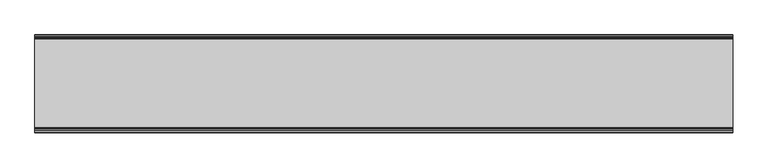
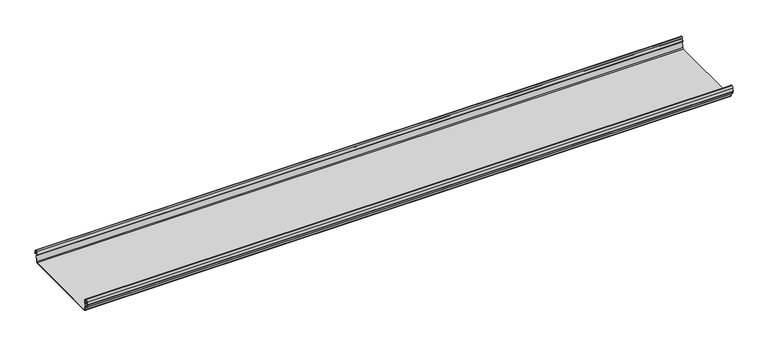
"""IFC4 building model written with IfcOpenShell, lengths in millimetres: beam geometry."""

from ifc_helpers import new_model, si_unit, frame, origin, place, context, project, spatial, polyline, circle_curve, source, transform, mapped, element, save
from ifc_brep_helpers import plane_surface, cylinder_surface, revolved_surface, advanced_brep


def beam_1a2c4ab1(model_context):
    return source(origin(), model_context, "Body", "AdvancedBrep", [
        advanced_brep(
        [(1265.1012987, 174.5298471, 17.4730576), (1265.1012987, 169.9958217, 21.2486363), (1265.1012987, 165.4890072, 17.6093124), (1265.1012987, 163.0420077, 6.2503755), (1265.1012987, 164.7006671, 3.7959761), (1265.1012987, 165.8698319, 2.0849359), (1265.1012987, 164.3793103, -21.3247551), (1265.1012987, 160.6848586, -24.7896475), (1265.1012987, -159.5640942, -24.7896475), (1265.1012987, -163.2568715, -21.3207217), (1265.1012987, -164.7263748, 2.1632779), (1265.1012987, -164.0984471, 3.0966958), (1265.1012987, -161.8868093, 6.1624874), (1265.1012987, -162.770348, 17.3389905), (1265.1012987, -170.0, 24.0196704), (1265.1012987, -177.229652, 17.3389905), (1265.1012987, -178.1131907, 6.1624874), (1265.1012987, -175.9015529, 3.0966958), (1265.1012987, -175.2736252, 2.1632779), (1265.1012987, -175.6653397, -4.0966758), (1265.1012987, -174.6633838, -4.0966758), (1265.1012987, -174.255975, 2.4140875), (1265.1012987, -175.661391, 4.0675496), (1265.1012987, -177.1158116, 6.08368), (1265.1012987, -176.2261211, 17.3379999), (1265.1012987, -170.0, 23.0196704), (1265.1012987, -163.767144, 17.2589936), (1265.1012987, -162.8795452, 6.0037927), (1265.1012987, -164.338609, 4.0675496), (1265.1012987, -165.744025, 2.4140875), (1265.1012987, -164.2549195, -21.3831743), (1265.1012987, -159.5640942, -25.7896475), (1265.1012987, 160.6846135, -25.7896475), (1265.1012987, 165.3772895, -21.3882975), (1265.1012987, 166.868024, 2.0247376), (1265.1012987, 164.9644432, 4.7613501), (1265.1012987, 164.0277999, 6.0779003), (1265.1012987, 166.4434849, 17.2822335), (1265.1012987, 170.0063307, 20.2496221), (1265.1012987, 173.4803249, 17.6539317), (1265.1012987, 175.5075757, 6.5459412), (1265.1012987, 176.5074356, 6.7299959), (-1265.1012987, 174.5298471, 17.4730576), (-1265.1012987, 176.5074356, 6.7299959), (-1265.1012987, 175.5075757, 6.5459412), (-1265.1012987, 173.4803249, 17.6539317), (-1265.1012987, 170.0063307, 20.2496221), (-1265.1012987, 166.4434849, 17.2822335), (-1265.1012987, 164.0277999, 6.0779003), (-1265.1012987, 164.9644432, 4.7613501), (-1265.1012987, 166.868024, 2.0247376), (-1265.1012987, 165.3772895, -21.3882975), (-1265.1012987, 160.6846135, -25.7896475), (-1265.1012987, -159.5640942, -25.7896475), (-1265.1012987, -164.2549195, -21.3831743), (-1265.1012987, -165.744025, 2.4140875), (-1265.1012987, -164.338609, 4.0675496), (-1265.1012987, -162.8795452, 6.0037927), (-1265.1012987, -163.767144, 17.2589936), (-1265.1012987, -170.0, 23.0196704), (-1265.1012987, -176.2261211, 17.3379999), (-1265.1012987, -177.1158116, 6.08368), (-1265.1012987, -175.661391, 4.0675496), (-1265.1012987, -174.255975, 2.4140875), (-1265.1012987, -174.6633838, -4.0966758), (-1265.1012987, -175.6653397, -4.0966758), (-1265.1012987, -175.2736252, 2.1632779), (-1265.1012987, -175.9015529, 3.0966958), (-1265.1012987, -178.1066021, 6.2458324), (-1265.1012987, -177.229652, 17.3389905), (-1265.1012987, -170.0, 24.0196704), (-1265.1012987, -162.770348, 17.3389905), (-1265.1012987, -161.8868093, 6.1624874), (-1265.1012987, -164.0984471, 3.0966958), (-1265.1012987, -164.7263748, 2.1632779), (-1265.1012987, -163.2568715, -21.3207217), (-1265.1012987, -159.5640942, -24.7896475), (-1265.1012987, 160.6848586, -24.7896475), (-1265.1012987, 164.3793103, -21.3247551), (-1265.1012987, 165.8698319, 2.0849359), (-1265.1012987, 164.7006671, 3.7959761), (-1265.1012987, 163.0420077, 6.2503755), (-1265.1012987, 165.4890072, 17.6093124), (-1265.1012987, 169.9958217, 21.2486363)],
        [
            (0, 1, circle_curve(frame((1265.1012987, 169.9958217, 16.6384317), z_axis=(1.0, 0.0, 0.0), x_axis=(0.0, 1.0, 0.0)), 4.6102046)),
            (1, 2, circle_curve(frame((1265.1012987, 169.9958217, 16.6384317), z_axis=(1.0, 0.0, 0.0), x_axis=(0.0, 0.2105938444020083, 0.9775736456656259)), 4.6102046)),
            (2, 3),
            (3, 4, circle_curve(frame((1265.1012987, 165.4262002, 6.073937), z_axis=(1.0, 0.0, 0.0), x_axis=(0.0, -0.9528378408797884, 0.30347989881958104)), 2.3907121)),
            (4, 5, circle_curve(frame((1265.1012987, 164.1897695, 2.1919074), z_axis=(-1.0, 0.0, 0.0), x_axis=(0.0, 0.06354246328302078, 0.9979791357337717)), 1.6834645)),
            (5, 6),
            (6, 7, circle_curve(frame((1265.1012987, 160.6867875, -21.089648), z_axis=(-1.0, 0.0, 0.0), x_axis=(0.0, 0.9999998641088232, -0.0005213274739325337)), 3.7)),
            (7, 8),
            (8, 9, circle_curve(frame((1265.1012987, -159.5640942, -21.0896475), z_axis=(-1.0, 0.0, 0.0), x_axis=(0.0, 0.062452508687223206, -0.9980479368039755)), 3.7)),
            (9, 10),
            (10, 11, circle_curve(frame((1265.1012987, -163.8044049, 2.2209698), z_axis=(-1.0, 0.0, 0.0), x_axis=(0.0, -0.9479881328261025, -0.31830567073314897)), 0.9237732)),
            (11, 12, circle_curve(frame((1265.1012987, -164.7984694, 5.9323112), z_axis=(1.0, 0.0, 0.0), x_axis=(0.0, 0.07880737243916666, -0.9968898625471294)), 2.9207441)),
            (12, 13),
            (13, 14, circle_curve(frame((1265.1012987, -170.0, 16.7674631), z_axis=(1.0, 0.0, 0.0), x_axis=(0.0, 1.0, 0.0)), 7.2522073)),
            (14, 15, circle_curve(frame((1265.1012987, -170.0, 16.7674631), z_axis=(1.0, 0.0, 0.0), x_axis=(0.0, 0.07880737243912425, 0.9968898625471327)), 7.2522073)),
            (15, 16),
            (16, 17, circle_curve(frame((1265.1012987, -175.2001089, 5.9344165), z_axis=(1.0, 0.0, 0.0), x_axis=(0.0, -0.9707819351134729, 0.2399634023290655)), 2.9231288)),
            (17, 18, circle_curve(frame((1265.1012987, -176.1025472, 2.2835649), z_axis=(-1.0, 0.0, 0.0), x_axis=(0.0, 0.14360843272178178, 0.9896345881441257)), 0.8376041)),
            (18, 19),
            (19, 20, circle_curve(frame((1265.1012987, -175.1643617, -4.0966758), z_axis=(1.0, 0.0, 0.0), x_axis=(0.0, 0.0, -1.0)), 0.5009779)),
            (20, 21),
            (21, 22, circle_curve(frame((1265.1012987, -176.1062911, 2.2653702), z_axis=(1.0, 0.0, 0.0), x_axis=(0.0, 0.9708537722163966, -0.23967259537375799)), 1.856283)),
            (22, 23, circle_curve(frame((1265.1012987, -175.2010412, 5.9323112), z_axis=(-1.0, 0.0, 0.0), x_axis=(0.0, -0.07880737243914376, -0.9968898625471312)), 1.9207441)),
            (23, 24),
            (24, 25, circle_curve(frame((1265.1012987, -170.0770494, 16.8518958), z_axis=(-1.0, 0.0, 0.0), x_axis=(0.0, -0.9999219808421378, 0.012491286112139365)), 6.1682558)),
            (25, 26, circle_curve(frame((1265.1012987, -170.0791743, 16.6817991), z_axis=(-1.0, 0.0, 0.0), x_axis=(0.0, -0.09106361391821856, 0.9958450774192508)), 6.3383658)),
            (26, 27),
            (27, 28, circle_curve(frame((1265.1012987, -164.70299, 5.8599936), z_axis=(-1.0, 0.0, 0.0), x_axis=(0.0, 0.9799562955839813, 0.19921259685401593)), 1.8291061)),
            (28, 29, circle_curve(frame((1265.1012987, -163.9886548, 2.3460727), z_axis=(1.0, 0.0, 0.0), x_axis=(0.0, 0.03871763325448635, 0.9992501913310655)), 1.7566874)),
            (29, 30),
            (30, 31, circle_curve(frame((1265.1012987, -159.5640942, -21.0896475), z_axis=(1.0, 0.0, 0.0), x_axis=(0.0, -1.0, 0.0)), 4.7)),
            (31, 32),
            (32, 33, circle_curve(frame((1265.1012987, 160.6846135, -21.0873301), z_axis=(1.0, 0.0, 0.0), x_axis=(0.0, -0.06400407594283139, -0.997949637137418)), 4.7023174)),
            (33, 34),
            (34, 35, circle_curve(frame((1265.1012987, 164.1939121, 2.1950013), z_axis=(1.0, 0.0, 0.0), x_axis=(0.0, 0.9577619201002135, -0.2875623487279797)), 2.6795268)),
            (35, 36, circle_curve(frame((1265.1012987, 165.0972859, 5.8473161), z_axis=(-1.0, 0.0, 0.0), x_axis=(0.0, -0.210759855052358, -0.9775378680635902)), 1.094061)),
            (36, 37),
            (37, 38, circle_curve(frame((1265.1012987, 170.0063307, 16.627032), z_axis=(-1.0, 0.0, 0.0), x_axis=(0.0, -1.0, 0.0)), 3.6225901)),
            (38, 39, circle_curve(frame((1265.1012987, 170.0063307, 16.627032), z_axis=(-1.0, 0.0, 0.0), x_axis=(0.0, -0.2834711363957483, 0.9589807687490417)), 3.6225901)),
            (39, 40),
            (40, 41, circle_curve(frame((1265.1012987, 176.0075057, 6.6379685), z_axis=(1.0, 0.0, 0.0), x_axis=(0.0, 0.18103878268247353, -0.9834759575937014)), 0.5083296)),
            (41, 0),
            (42, 43),
            (43, 44, circle_curve(frame((-1265.1012987, 176.0075057, 6.6379685), z_axis=(-1.0, 0.0, 0.0), x_axis=(0.0, 0.18103878268247353, -0.9834759575937014)), 0.5083296)),
            (44, 45),
            (45, 46, circle_curve(frame((-1265.1012987, 170.0063307, 16.627032), z_axis=(1.0, 0.0, 0.0), x_axis=(0.0, -0.2834711363957483, 0.9589807687490417)), 3.6225901)),
            (46, 47, circle_curve(frame((-1265.1012987, 170.0063307, 16.627032), z_axis=(1.0, 0.0, 0.0), x_axis=(0.0, -1.0, 0.0)), 3.6225901)),
            (47, 48),
            (48, 49, circle_curve(frame((-1265.1012987, 165.0972859, 5.8473161), z_axis=(1.0, 0.0, 0.0), x_axis=(0.0, -0.210759855052358, -0.9775378680635902)), 1.094061)),
            (49, 50, circle_curve(frame((-1265.1012987, 164.1939121, 2.1950013), z_axis=(-1.0, 0.0, 0.0), x_axis=(0.0, 0.9577619201002135, -0.2875623487279797)), 2.6795268)),
            (50, 51),
            (51, 52, circle_curve(frame((-1265.1012987, 160.6846135, -21.0873301), z_axis=(-1.0, 0.0, 0.0), x_axis=(0.0, -0.06400407594283139, -0.997949637137418)), 4.7023174)),
            (52, 53),
            (53, 54, circle_curve(frame((-1265.1012987, -159.5640942, -21.0896475), z_axis=(-1.0, 0.0, 0.0), x_axis=(0.0, -1.0, 0.0)), 4.7)),
            (54, 55),
            (55, 56, circle_curve(frame((-1265.1012987, -163.9886548, 2.3460727), z_axis=(-1.0, 0.0, 0.0), x_axis=(0.0, 0.03871763325448635, 0.9992501913310655)), 1.7566874)),
            (56, 57, circle_curve(frame((-1265.1012987, -164.70299, 5.8599936), z_axis=(1.0, 0.0, 0.0), x_axis=(0.0, 0.9799562955839813, 0.19921259685401593)), 1.8291061)),
            (57, 58),
            (58, 59, circle_curve(frame((-1265.1012987, -170.0791743, 16.6817991), z_axis=(1.0, 0.0, 0.0), x_axis=(0.0, -0.09106361391821856, 0.9958450774192508)), 6.3383658)),
            (59, 60, circle_curve(frame((-1265.1012987, -170.0770494, 16.8518958), z_axis=(1.0, 0.0, 0.0), x_axis=(0.0, -0.9999219808421378, 0.012491286112139365)), 6.1682558)),
            (60, 61),
            (61, 62, circle_curve(frame((-1265.1012987, -175.2010412, 5.9323112), z_axis=(1.0, 0.0, 0.0), x_axis=(0.0, -0.07880737243914376, -0.9968898625471312)), 1.9207441)),
            (62, 63, circle_curve(frame((-1265.1012987, -176.1062911, 2.2653702), z_axis=(-1.0, 0.0, 0.0), x_axis=(0.0, 0.9708537722163966, -0.23967259537375799)), 1.856283)),
            (63, 64),
            (64, 65, circle_curve(frame((-1265.1012987, -175.1643617, -4.0966758), z_axis=(-1.0, 0.0, 0.0), x_axis=(0.0, 0.0, -1.0)), 0.5009779)),
            (65, 66),
            (66, 67, circle_curve(frame((-1265.1012987, -176.1025472, 2.2835649), z_axis=(1.0, 0.0, 0.0), x_axis=(0.0, 0.14360843272178178, 0.9896345881441257)), 0.8376041)),
            (67, 68, circle_curve(frame((-1265.1012987, -175.2001089, 5.9344165), z_axis=(-1.0, 0.0, 0.0), x_axis=(0.0, -0.9707819351134729, 0.2399634023290655)), 2.9231288)),
            (68, 69),
            (69, 70, circle_curve(frame((-1265.1012987, -170.0, 16.7674631), z_axis=(-1.0, 0.0, 0.0), x_axis=(0.0, 0.07880737243912425, 0.9968898625471327)), 7.2522073)),
            (70, 71, circle_curve(frame((-1265.1012987, -170.0, 16.7674631), z_axis=(-1.0, 0.0, 0.0), x_axis=(0.0, 1.0, 0.0)), 7.2522073)),
            (71, 72),
            (72, 73, circle_curve(frame((-1265.1012987, -164.7984694, 5.9323112), z_axis=(-1.0, 0.0, 0.0), x_axis=(0.0, 0.07880737243916666, -0.9968898625471294)), 2.9207441)),
            (73, 74, circle_curve(frame((-1265.1012987, -163.8044049, 2.2209698), z_axis=(1.0, 0.0, 0.0), x_axis=(0.0, -0.9479881328261025, -0.31830567073314897)), 0.9237732)),
            (74, 75),
            (75, 76, circle_curve(frame((-1265.1012987, -159.5640942, -21.0896475), z_axis=(1.0, 0.0, 0.0), x_axis=(0.0, 0.062452508687223206, -0.9980479368039755)), 3.7)),
            (76, 77),
            (77, 78, circle_curve(frame((-1265.1012987, 160.6867875, -21.089648), z_axis=(1.0, 0.0, 0.0), x_axis=(0.0, 0.9999998641088232, -0.0005213274739325337)), 3.7)),
            (78, 79),
            (79, 80, circle_curve(frame((-1265.1012987, 164.1897695, 2.1919074), z_axis=(1.0, 0.0, 0.0), x_axis=(0.0, 0.06354246328302078, 0.9979791357337717)), 1.6834645)),
            (80, 81, circle_curve(frame((-1265.1012987, 165.4262002, 6.073937), z_axis=(-1.0, 0.0, 0.0), x_axis=(0.0, -0.9528378408797884, 0.30347989881958104)), 2.3907121)),
            (81, 82),
            (82, 83, circle_curve(frame((-1265.1012987, 169.9958217, 16.6384317), z_axis=(-1.0, 0.0, 0.0), x_axis=(0.0, 0.2105938444020083, 0.9775736456656259)), 4.6102046)),
            (83, 42, circle_curve(frame((-1265.1012987, 169.9958217, 16.6384317), z_axis=(-1.0, 0.0, 0.0), x_axis=(0.0, 1.0, 0.0)), 4.6102046)),
            (42, 0),
            (41, 43),
            (40, 44),
            (39, 45),
            (38, 46),
            (37, 47),
            (36, 48),
            (35, 49),
            (34, 50),
            (33, 51),
            (32, 52),
            (31, 53),
            (30, 54),
            (29, 55),
            (28, 56),
            (27, 57),
            (26, 58),
            (25, 59),
            (24, 60),
            (23, 61),
            (22, 62),
            (21, 63),
            (20, 64),
            (19, 65),
            (18, 66),
            (17, 67),
            (16, 68),
            (15, 69),
            (14, 70),
            (13, 71),
            (12, 72),
            (11, 73),
            (10, 74),
            (9, 75),
            (8, 76),
            (7, 77),
            (6, 78),
            (5, 79),
            (4, 80),
            (3, 81),
            (2, 82),
            (1, 83),
        ],
        [
            plane_surface(frame((1265.1012987, 176.5074356, 6.7299959), z_axis=(1.0000000000000002, 0.0, 0.0), x_axis=(0.0, -0.18103878268248824, 0.9834759575936989))),
            plane_surface(frame((-1265.1012987, 176.5074356, 6.7299959), z_axis=(-1.0000000000000002, 0.0, 0.0), x_axis=(0.0, 0.18103878268248824, -0.9834759575936989))),
            plane_surface(frame((1265.1012987, 175.5186413, 12.1015267), z_axis=(0.0, 0.9834759575937931, 0.18103878268197598), x_axis=(0.0, 0.18103878268197598, -0.9834759575937931))),
            cylinder_surface(frame((1265.1012987, 176.0075057, 6.6379685), z_axis=(-1.0, 0.0, 0.0), x_axis=(0.0, 0.18103878268247353, -0.9834759575937014)), 0.5083296),
            plane_surface(frame((1265.1012987, 174.4939503, 12.0999365), z_axis=(0.0, -0.9837509798366516, -0.17953832368168063), x_axis=(0.0, -0.17953832368168063, 0.9837509798366516))),
            revolved_surface(polyline([(-1265.1012987, 168.979430967657, 20.101026238960667), (1265.1012987, 168.979430967657, 20.101026238960667)]), (1265.1012987, 170.0063307, 16.627032), (-1.0, 0.0, 0.0)),
            revolved_surface(polyline([(-1265.1012987, 166.3837406, 16.627032), (1265.1012987, 166.3837406, 16.627032)]), (1265.1012987, 170.0063307, 16.627032), (-1.0, 0.0, 0.0)),
            plane_surface(frame((1265.1012987, 165.2356424, 11.6800669), z_axis=(0.0, 0.9775378680634891, -0.2107598550528272), x_axis=(0.0, -0.2107598550528272, -0.9775378680634891))),
            revolved_surface(polyline([(-1265.1012987, 164.86670176222157, 4.77783004252848), (1265.1012987, 164.86670176222157, 4.77783004252848)]), (1265.1012987, 165.0972859, 5.8473161), (-1.0, 0.0, 0.0)),
            cylinder_surface(frame((1265.1012987, 164.1939121, 2.1950013), z_axis=(-1.0, 0.0, 0.0), x_axis=(0.0, 0.9577619201002135, -0.2875623487279797)), 2.6795268),
            plane_surface(frame((1265.1012987, 166.1226567, -9.68178), z_axis=(0.0, 0.9979791357337514, -0.06354246328334037), x_axis=(0.0, -0.06354246328334037, -0.9979791357337514))),
            cylinder_surface(frame((1265.1012987, 160.6846135, -21.0873301), z_axis=(-1.0, 0.0, 0.0), x_axis=(0.0, -0.06400407594283139, -0.997949637137418)), 4.7023174),
            plane_surface(frame((1265.1012987, 0.5602597, -25.7896475), z_axis=(0.0, 0.0, -1.0), x_axis=(0.0, -1.0, 0.0))),
            cylinder_surface(frame((1265.1012987, -159.5640942, -21.0896475), z_axis=(-1.0, 0.0, 0.0), x_axis=(0.0, -1.0, 0.0)), 4.7),
            plane_surface(frame((1265.1012987, -164.9994722, -9.4845434), z_axis=(0.0, -0.99804793680396, -0.06245250868747398), x_axis=(0.0, -0.06245250868747398, 0.99804793680396))),
            cylinder_surface(frame((1265.1012987, -163.9886548, 2.3460727), z_axis=(-1.0, 0.0, 0.0), x_axis=(0.0, 0.03871763325448635, 0.9992501913310655)), 1.7566874),
            revolved_surface(polyline([(-1265.1012987, -162.91054596201394, 6.224374576102521), (1265.1012987, -162.91054596201394, 6.224374576102521)]), (1265.1012987, -164.70299, 5.8599936), (-1.0, 0.0, 0.0)),
            plane_surface(frame((1265.1012987, -163.3233446, 11.6313931), z_axis=(0.0, -0.9969048840807634, -0.07861712342689589), x_axis=(0.0, -0.07861712342689589, 0.9969048840807634))),
            revolved_surface(polyline([(-1265.1012987, -170.65636879608365, 22.99382948081253), (1265.1012987, -170.65636879608365, 22.99382948081253)]), (1265.1012987, -170.0791743, 16.6817991), (-1.0, 0.0, 0.0)),
            revolved_surface(polyline([(-1265.1012987, -176.244823957877, 16.928945248010663), (1265.1012987, -176.244823957877, 16.928945248010663)]), (1265.1012987, -170.0770494, 16.8518958), (-1.0, 0.0, 0.0)),
            plane_surface(frame((1265.1012987, -176.6709664, 11.71084), z_axis=(0.0, 0.9968898625470921, -0.07880737243963815), x_axis=(0.0, -0.07880737243963815, -0.9968898625470921))),
            revolved_surface(polyline([(-1265.1012987, -175.35240999564897, 4.017540878162787), (1265.1012987, -175.35240999564897, 4.017540878162787)]), (1265.1012987, -175.2010412, 5.9323112), (-1.0, 0.0, 0.0)),
            cylinder_surface(frame((1265.1012987, -176.1062911, 2.2653702), z_axis=(-1.0, 0.0, 0.0), x_axis=(0.0, 0.9708537722163966, -0.23967259537375799)), 1.856283),
            plane_surface(frame((1265.1012987, -174.4596794, -0.8412941), z_axis=(0.0, 0.9980479368039222, -0.06245250868807452), x_axis=(0.0, -0.06245250868807452, -0.9980479368039222))),
            cylinder_surface(frame((1265.1012987, -175.1643617, -4.0966758), z_axis=(-1.0, 0.0, 0.0), x_axis=(0.0, 0.0, -1.0)), 0.5009779),
            plane_surface(frame((1265.1012987, -175.4694824, -0.9666989), z_axis=(0.0, -0.9980479368040358, 0.06245250868626084), x_axis=(0.0, 0.06245250868626084, 0.9980479368040358))),
            revolved_surface(polyline([(-1265.1012987, -175.98226018795768, 3.112486888531331), (1265.1012987, -175.98226018795768, 3.112486888531331)]), (1265.1012987, -176.1025472, 2.2835649), (-1.0, 0.0, 0.0)),
            cylinder_surface(frame((1265.1012987, -175.2001089, 5.9344165), z_axis=(-1.0, 0.0, 0.0), x_axis=(0.0, -0.9707819351134729, 0.2399634023290655)), 2.9231288),
            plane_surface(frame((1265.1012987, -177.6714214, 11.7507389), z_axis=(0.0, -0.9968898625471735, 0.07880737243860966), x_axis=(0.0, 0.07880737243860966, 0.9968898625471735))),
            cylinder_surface(frame((1265.1012987, -170.0, 16.7674631), z_axis=(-1.0, 0.0, 0.0), x_axis=(0.0, 0.07880737243912425, 0.9968898625471327)), 7.2522073),
            cylinder_surface(frame((1265.1012987, -170.0, 16.7674631), z_axis=(-1.0, 0.0, 0.0), x_axis=(0.0, 1.0, 0.0)), 7.2522073),
            plane_surface(frame((1265.1012987, -162.3285786, 11.7507389), z_axis=(0.0, 0.9968898625471712, 0.07880737243863836), x_axis=(0.0, 0.07880737243863836, -0.9968898625471712))),
            cylinder_surface(frame((1265.1012987, -164.7984694, 5.9323112), z_axis=(-1.0, 0.0, 0.0), x_axis=(0.0, 0.07880737243916666, -0.9968898625471294)), 2.9207441),
            revolved_surface(polyline([(-1265.1012987, -164.6801309310228, 1.9269275519686928), (1265.1012987, -164.6801309310228, 1.9269275519686928)]), (1265.1012987, -163.8044049, 2.2209698), (-1.0, 0.0, 0.0)),
            plane_surface(frame((1265.1012987, -163.9916232, -9.5787219), z_axis=(0.0, 0.9980479368039906, 0.0624525086869835), x_axis=(0.0, 0.0624525086869835, -0.9980479368039906))),
            revolved_surface(polyline([(-1265.1012987, -159.33301991785729, -24.78242486617471), (1265.1012987, -159.33301991785729, -24.78242486617471)]), (1265.1012987, -159.5640942, -21.0896475), (-1.0, 0.0, 0.0)),
            plane_surface(frame((1265.1012987, 0.5603822, -24.7896475), z_axis=(0.0, 0.0, 1.0), x_axis=(0.0, 1.0, 0.0))),
            revolved_surface(polyline([(-1265.1012987, 164.38678699720265, -21.09157691165355), (1265.1012987, 164.38678699720265, -21.09157691165355)]), (1265.1012987, 160.6867875, -21.089648), (-1.0, 0.0, 0.0)),
            plane_surface(frame((1265.1012987, 165.1245711, -9.6199096), z_axis=(0.0, -0.9979791357337828, 0.06354246328284598), x_axis=(0.0, 0.06354246328284598, 0.9979791357337828))),
            revolved_surface(polyline([(-1265.1012987, 164.29674098117954, 3.871969846748486), (1265.1012987, 164.29674098117954, 3.871969846748486)]), (1265.1012987, 164.1897695, 2.1919074), (-1.0, 0.0, 0.0)),
            cylinder_surface(frame((1265.1012987, 165.4262002, 6.073937), z_axis=(-1.0, 0.0, 0.0), x_axis=(0.0, -0.9528378408797884, 0.30347989881958104)), 2.3907121),
            plane_surface(frame((1265.1012987, 164.2655075, 11.929844), z_axis=(0.0, -0.9775736456657296, 0.21059384440152715), x_axis=(0.0, 0.21059384440152715, 0.9775736456657296))),
            cylinder_surface(frame((1265.1012987, 169.9958217, 16.6384317), z_axis=(-1.0, 0.0, 0.0), x_axis=(0.0, 0.2105938444020083, 0.9775736456656259)), 4.6102046),
            cylinder_surface(frame((1265.1012987, 169.9958217, 16.6384317), z_axis=(-1.0, 0.0, 0.0), x_axis=(0.0, 1.0, 0.0)), 4.6102046),
        ],
        [
            (0, [[1, 2, 3, 4, 5, 6, 7, 8, 9, 10, 11, 12, 13, 14, 15, 16, 17, 18, 19, 20, 21, 22, 23, 24, 25, 26, 27, 28, 29, 30, 31, 32, 33, 34, 35, 36, 37, 38, 39, 40, 41, 42]]),
            (1, [[43, 44, 45, 46, 47, 48, 49, 50, 51, 52, 53, 54, 55, 56, 57, 58, 59, 60, 61, 62, 63, 64, 65, 66, 67, 68, 69, 70, 71, 72, 73, 74, 75, 76, 77, 78, 79, 80, 81, 82, 83, 84]]),
            (2, [[-43, 85, -42, 86]]),
            (3, [[-44, -86, -41, 87]]),
            (4, [[-45, -87, -40, 88]]),
            (5, [[-46, -88, -39, 89]]),
            (6, [[-47, -89, -38, 90]]),
            (7, [[-48, -90, -37, 91]]),
            (8, [[-49, -91, -36, 92]]),
            (9, [[-50, -92, -35, 93]]),
            (10, [[-51, -93, -34, 94]]),
            (11, [[-52, -94, -33, 95]]),
            (12, [[-53, -95, -32, 96]]),
            (13, [[-54, -96, -31, 97]]),
            (14, [[-55, -97, -30, 98]]),
            (15, [[-56, -98, -29, 99]]),
            (16, [[-57, -99, -28, 100]]),
            (17, [[-58, -100, -27, 101]]),
            (18, [[-59, -101, -26, 102]]),
            (19, [[-60, -102, -25, 103]]),
            (20, [[-61, -103, -24, 104]]),
            (21, [[-62, -104, -23, 105]]),
            (22, [[-63, -105, -22, 106]]),
            (23, [[-64, -106, -21, 107]]),
            (24, [[-65, -107, -20, 108]]),
            (25, [[-66, -108, -19, 109]]),
            (26, [[-67, -109, -18, 110]]),
            (27, [[-68, -110, -17, 111]]),
            (28, [[-69, -111, -16, 112]]),
            (29, [[-70, -112, -15, 113]]),
            (30, [[-71, -113, -14, 114]]),
            (31, [[-72, -114, -13, 115]]),
            (32, [[-73, -115, -12, 116]]),
            (33, [[-74, -116, -11, 117]]),
            (34, [[-75, -117, -10, 118]]),
            (35, [[-76, -118, -9, 119]]),
            (36, [[-77, -119, -8, 120]]),
            (37, [[-78, -120, -7, 121]]),
            (38, [[-79, -121, -6, 122]]),
            (39, [[-80, -122, -5, 123]]),
            (40, [[-81, -123, -4, 124]]),
            (41, [[-82, -124, -3, 125]]),
            (42, [[-83, -125, -2, 126]]),
            (43, [[-84, -126, -1, -85]]),
        ],
    ),
    ])


if __name__ == "__main__":
    model = new_model("IFC4")
    model_context = context("Model", 3, world=origin())
    ifc_project = project(units=[si_unit("LENGTHUNIT", "METRE", prefix="MILLI")], contexts=[model_context])
    site = spatial("IfcSite", under=ifc_project)
    building = spatial("IfcBuilding", under=site)
    placement = place(None, origin())
    beam_shape = beam_1a2c4ab1(model_context)
    element("IfcBeam", 1, at=placement, inside=building, context=model_context, shape_type="MappedRepresentation", body=[
        mapped(beam_shape, transform((0.0, 0.0, 0.0), x_axis=(1.0, 0.0, 0.0), y_axis=(0.0, 1.0, 0.0), z_axis=(0.0, 0.0, 1.0))),
    ])
    save(model, "model.ifc")
